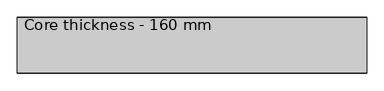
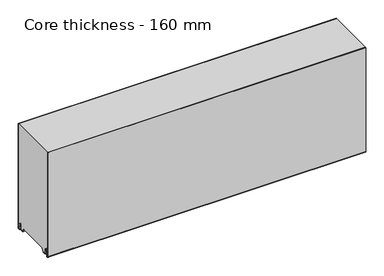
"""IFC4 building model written with IfcOpenShell, lengths in millimetres: plate geometry, Core thickness - 160 mm."""

from ifc_helpers import new_model, si_unit, frame, origin, place, context, project, spatial, polyline, circle_curve, source, transform, mapped, element, save
from ifc_brep_helpers import plane_surface, cylinder_surface, revolved_surface, advanced_brep


def core_thickness_160_mm_c2c2aed8(model_context):
    return source(origin(), model_context, "Body", "AdvancedBrep", [
        advanced_brep(
        [(500.0000002, -159.9996949, 3.0900682), (500.0000002, -153.81449, 2.7875612), (500.0000002, -152.197116, 19.2828169), (500.0000002, -149.1776715, 21.9898782), (500.0000002, -146.1582271, 19.2828169), (500.0000002, -144.7725998, 5.1510966), (500.0000002, -140.3830995, 5.365779), (500.0000002, -141.1830995, 5.365779), (500.0000002, -143.9764178, 5.2291629), (500.0000002, -145.3620451, 19.3608832), (500.0000002, -149.1776715, 22.7899182), (500.0000002, -152.9932979, 19.3608832), (500.0000002, -154.6106719, 2.8656275), (500.0000002, -159.1996949, 3.0900682), (500.0000002, -159.2, 350.0), (500.0000002, -159.9996949, 350.0), (-500.0000002, -159.1996949, 3.0900682), (-500.0000002, -154.6106719, 2.8656275), (-500.0000002, -152.9932979, 19.3608832), (-500.0000002, -149.1776715, 22.7899182), (-500.0000002, -145.3620451, 19.3608832), (-500.0000002, -143.9764178, 5.2291629), (-500.0000002, -141.1830995, 5.365779), (-500.0000002, -140.3830995, 5.365779), (-500.0000002, -144.7725998, 5.1510966), (-500.0000002, -146.1582271, 19.2828169), (-500.0000002, -149.1776715, 21.9898782), (-500.0000002, -152.197116, 19.2828169), (-500.0000002, -153.81449, 2.7875612), (-500.0000002, -159.9996949, 3.0900682), (-500.0000002, -159.9996949, 350.0), (-500.0000002, -159.2, 350.0)],
        [
            (0, 1, circle_curve(frame((500.0000002, -156.8996949, 3.0900682), z_axis=(1.0, 0.0, 0.0), x_axis=(0.0, 0.0, -1.0)), 3.1)),
            (1, 2),
            (2, 3, circle_curve(frame((500.0000002, -149.2114338, 18.9900682), z_axis=(-1.0, 0.0, 0.0), x_axis=(0.0, 0.0, -1.0)), 3.0)),
            (3, 4, circle_curve(frame((500.0000002, -149.1439093, 18.9900682), z_axis=(-1.0, 0.0, 0.0), x_axis=(0.0, 0.0, -1.0)), 3.0)),
            (4, 5),
            (5, 6, circle_curve(frame((500.0000002, -142.5830995, 5.365779), z_axis=(1.0, 0.0, 0.0), x_axis=(0.0, 0.0, -1.0)), 2.2)),
            (6, 7),
            (7, 8, circle_curve(frame((500.0000002, -142.5830995, 5.365779), z_axis=(-1.0, 0.0, 0.0), x_axis=(0.0, 0.0, -1.0)), 1.4)),
            (8, 9),
            (9, 10, circle_curve(frame((500.0000002, -149.1439093, 18.9900682), z_axis=(1.0, 0.0, 0.0), x_axis=(0.0, 0.0, -1.0)), 3.8)),
            (10, 11, circle_curve(frame((500.0000002, -149.2114338, 18.9900682), z_axis=(1.0, 0.0, 0.0), x_axis=(0.0, 0.0, -1.0)), 3.8)),
            (11, 12),
            (12, 13, circle_curve(frame((500.0000002, -156.8996949, 3.0900682), z_axis=(-1.0, 0.0, 0.0), x_axis=(0.0, 0.0, -1.0)), 2.3)),
            (13, 14),
            (14, 15),
            (15, 0),
            (16, 17, circle_curve(frame((-500.0000002, -156.8996949, 3.0900682), z_axis=(1.0, 0.0, 0.0), x_axis=(0.0, 0.0, -1.0)), 2.3)),
            (17, 18),
            (18, 19, circle_curve(frame((-500.0000002, -149.2114338, 18.9900682), z_axis=(-1.0, 0.0, 0.0), x_axis=(0.0, 0.0, -1.0)), 3.8)),
            (19, 20, circle_curve(frame((-500.0000002, -149.1439093, 18.9900682), z_axis=(-1.0, 0.0, 0.0), x_axis=(0.0, 0.0, -1.0)), 3.8)),
            (20, 21),
            (21, 22, circle_curve(frame((-500.0000002, -142.5830995, 5.365779), z_axis=(1.0, 0.0, 0.0), x_axis=(0.0, 0.0, -1.0)), 1.4)),
            (22, 23),
            (23, 24, circle_curve(frame((-500.0000002, -142.5830995, 5.365779), z_axis=(-1.0, 0.0, 0.0), x_axis=(0.0, 0.0, -1.0)), 2.2)),
            (24, 25),
            (25, 26, circle_curve(frame((-500.0000002, -149.1439093, 18.9900682), z_axis=(1.0, 0.0, 0.0), x_axis=(0.0, 0.0, -1.0)), 3.0)),
            (26, 27, circle_curve(frame((-500.0000002, -149.2114338, 18.9900682), z_axis=(1.0, 0.0, 0.0), x_axis=(0.0, 0.0, -1.0)), 3.0)),
            (27, 28),
            (28, 29, circle_curve(frame((-500.0000002, -156.8996949, 3.0900682), z_axis=(-1.0, 0.0, 0.0), x_axis=(0.0, 0.0, -1.0)), 3.1)),
            (29, 30),
            (30, 31),
            (31, 16),
            (13, 16),
            (31, 14),
            (29, 0),
            (15, 30),
            (12, 17),
            (11, 18),
            (10, 19),
            (9, 20),
            (8, 21),
            (7, 22),
            (6, 23),
            (5, 24),
            (4, 25),
            (3, 26),
            (2, 27),
            (1, 28),
        ],
        [
            plane_surface(frame((500.0000002, -160.0, 0.0), z_axis=(1.0, 0.0, 0.0), x_axis=(0.0, 1.0, 0.0))),
            plane_surface(frame((-500.0000002, -160.0, 0.0), z_axis=(-1.0, 0.0, 0.0), x_axis=(0.0, 1.0, 0.0))),
            plane_surface(frame((500.0000002, -159.2, 3.0900682), z_axis=(0.0, 1.0, 0.0), x_axis=(-1.0, 0.0, 0.0))),
            plane_surface(frame((500.0000002, -159.9996949, 1143.9000005), z_axis=(0.0, -1.0, 0.0), x_axis=(-1.0, 0.0, 0.0))),
            revolved_surface(polyline([(-500.0000002, -156.8996949, 0.7900682000000003), (500.0000002, -156.8996949, 0.7900682000000003)]), (500.0000002, -156.8996949, 3.0900682), (-1.0, 0.0, 0.0)),
            plane_surface(frame((500.0000002, -152.9932979, 19.3608832), z_axis=(0.0, -0.9952273999818314, 0.09758289975914787), x_axis=(-1.0, 0.0, 0.0))),
            cylinder_surface(frame((500.0000002, -149.2114338, 18.9900682), z_axis=(1.0, 0.0, 0.0), x_axis=(0.0, 0.0, -1.0)), 3.8),
            cylinder_surface(frame((500.0000002, -149.1439093, 18.9900682), z_axis=(1.0, 0.0, 0.0), x_axis=(0.0, 0.0, -1.0)), 3.8),
            plane_surface(frame((500.0000002, -143.9764178, 5.2291629), z_axis=(0.0, 0.9952273999818297, 0.09758289975916531), x_axis=(-1.0, 0.0, 0.0))),
            revolved_surface(polyline([(-500.0000002, -142.5830995, 3.965779), (500.0000002, -142.5830995, 3.965779)]), (500.0000002, -142.5830995, 5.365779), (-1.0, 0.0, 0.0)),
            plane_surface(frame((500.0000002, -140.3830995, 5.365779), z_axis=(0.0, 0.0, 1.0), x_axis=(-1.0, 0.0, 0.0))),
            cylinder_surface(frame((500.0000002, -142.5830995, 5.365779), z_axis=(1.0, 0.0, 0.0), x_axis=(0.0, 0.0, -1.0)), 2.2),
            plane_surface(frame((500.0000002, -146.1582271, 19.2828169), z_axis=(0.0, -0.9952273999818296, -0.09758289975916527), x_axis=(-1.0, 0.0, 0.0))),
            revolved_surface(polyline([(-500.0000002, -149.1439093, 15.9900682), (500.0000002, -149.1439093, 15.9900682)]), (500.0000002, -149.1439093, 18.9900682), (-1.0, 0.0, 0.0)),
            revolved_surface(polyline([(-500.0000002, -149.2114338, 15.9900682), (500.0000002, -149.2114338, 15.9900682)]), (500.0000002, -149.2114338, 18.9900682), (-1.0, 0.0, 0.0)),
            plane_surface(frame((500.0000002, -153.81449, 2.7875612), z_axis=(0.0, 0.9952273999818314, -0.09758289975914787), x_axis=(-1.0, 0.0, 0.0))),
            cylinder_surface(frame((500.0000002, -156.8996949, 3.0900682), z_axis=(1.0, 0.0, 0.0), x_axis=(0.0, 0.0, -1.0)), 3.1),
            plane_surface(frame((-500.0000002, 134.0533409, 350.0), z_axis=(0.0, 0.0, 1.0), x_axis=(1.0, 0.0, 0.0))),
        ],
        [
            (0, [[1, 2, 3, 4, 5, 6, 7, 8, 9, 10, 11, 12, 13, 14, 15, 16]]),
            (1, [[17, 18, 19, 20, 21, 22, 23, 24, 25, 26, 27, 28, 29, 30, 31, 32]]),
            (2, [[33, -32, 34, -14]]),
            (3, [[35, -16, 36, -30]]),
            (4, [[-13, 37, -17, -33]]),
            (5, [[-12, 38, -18, -37]]),
            (6, [[-11, 39, -19, -38]]),
            (7, [[-10, 40, -20, -39]]),
            (8, [[-9, 41, -21, -40]]),
            (9, [[-8, 42, -22, -41]]),
            (10, [[-7, 43, -23, -42]]),
            (11, [[-6, 44, -24, -43]]),
            (12, [[-5, 45, -25, -44]]),
            (13, [[-4, 46, -26, -45]]),
            (14, [[-3, 47, -27, -46]]),
            (15, [[-2, 48, -28, -47]]),
            (16, [[-1, -35, -29, -48]]),
            (17, [[-15, -34, -31, -36]]),
        ],
    ),
        advanced_brep(
        [(500.0000002, -129.873448, 15.1417681), (500.0000002, -30.126552, 15.1417681), (500.0000002, -23.4071318, 3.165779), (500.0000002, -17.4169005, 3.165779), (500.0000002, -19.6169005, 5.365779), (500.0000002, -18.8169005, 5.365779), (500.0000002, -16.0235822, 5.2291629), (500.0000002, -14.6379549, 19.3608832), (500.0000002, -10.8223285, 22.7899182), (500.0000002, -7.0067021, 19.3608832), (500.0000002, -5.3893281, 2.8656275), (500.0000002, -1.0794848, 4.1883784), (500.0000002, -1.5003051, 5.8439114), (500.0000002, -1.5003051, 42.0511837), (500.0000002, -1.0971009, 43.4705951), (500.0000002, -0.8, 44.5229805), (500.0000002, -0.8, 94.6827637), (500.0000002, -1.0986697, 95.7341795), (500.0000002, -1.5003051, 97.1545605), (500.0000002, -1.5003051, 147.3143437), (500.0000002, -1.0971009, 148.7337551), (500.0000002, -0.8, 149.7861405), (500.0000002, -0.8, 199.9459237), (500.0000002, -1.0986697, 200.9973395), (500.0000002, -1.5003051, 202.4177205), (500.0000002, -1.5003051, 252.5775037), (500.0000002, -1.0971009, 253.9969151), (500.0000002, -0.8, 255.0493005), (500.0000002, -0.8, 305.2090837), (500.0000002, -1.0986697, 306.2604995), (500.0000002, -1.5003051, 307.6808805), (500.0000002, -1.5003051, 350.0), (500.0000002, -159.2, 350.0), (500.0000002, -159.2, 3.0900682), (500.0000002, -154.6106719, 2.8656275), (500.0000002, -152.9932979, 19.3608832), (500.0000002, -149.1776715, 22.7899182), (500.0000002, -145.3620451, 19.3608832), (500.0000002, -143.9764178, 5.2291629), (500.0000002, -141.1830995, 5.365779), (500.0000002, -140.3830995, 5.365779), (500.0000002, -142.5830995, 3.165779), (500.0000002, -136.5928682, 3.165779), (-500.0000002, -30.126552, 15.1417681), (-500.0000002, -129.873448, 15.1417681), (-500.0000002, -136.5928682, 3.165779), (-500.0000002, -142.5830995, 3.165779), (-500.0000002, -140.3830995, 5.365779), (-500.0000002, -141.1830995, 5.365779), (-500.0000002, -143.9764178, 5.2291629), (-500.0000002, -145.3620451, 19.3608832), (-500.0000002, -149.1776715, 22.7899182), (-500.0000002, -152.9932979, 19.3608832), (-500.0000002, -154.6106719, 2.8656275), (-500.0000002, -159.1996949, 3.0900682), (-500.0000002, -159.2, 350.0), (-500.0000002, -1.5003051, 350.0), (-500.0000002, -1.5003051, 307.6808805), (-500.0000002, -1.0971009, 306.2614691), (-500.0000002, -0.8, 305.2090837), (-500.0000002, -0.8, 255.0493005), (-500.0000002, -1.0986697, 253.9978846), (-500.0000002, -1.5003051, 252.5775037), (-500.0000002, -1.5003051, 202.4177205), (-500.0000002, -1.0971009, 200.9983091), (-500.0000002, -0.8, 199.9459237), (-500.0000002, -0.8, 149.7861405), (-500.0000002, -1.0986697, 148.7347246), (-500.0000002, -1.5003051, 147.3143437), (-500.0000002, -1.5003051, 97.1545605), (-500.0000002, -1.0971009, 95.7351491), (-500.0000002, -0.8, 94.6827637), (-500.0000002, -0.8, 44.5229805), (-500.0000002, -1.0986697, 43.4715646), (-500.0000002, -1.5003051, 42.0511837), (-500.0000002, -1.5003051, 5.8439114), (-500.0000002, -1.0794848, 4.1883784), (-500.0000002, -5.3893281, 2.8656275), (-500.0000002, -7.0067021, 19.3608832), (-500.0000002, -10.8223285, 22.7899182), (-500.0000002, -14.6379549, 19.3608832), (-500.0000002, -16.0235822, 5.2291629), (-500.0000002, -18.8169005, 5.365779), (-500.0000002, -19.6169005, 5.365779), (-500.0000002, -17.4169005, 3.165779), (-500.0000002, -23.4071318, 3.165779)],
        [
            (0, 1),
            (1, 2),
            (2, 3),
            (3, 4, circle_curve(frame((500.0000002, -17.4169005, 5.365779), z_axis=(-1.0, 0.0, 0.0), x_axis=(0.0, 0.0, -1.0)), 2.2)),
            (4, 5),
            (5, 6, circle_curve(frame((500.0000002, -17.4169005, 5.365779), z_axis=(1.0, 0.0, 0.0), x_axis=(0.0, 0.0, -1.0)), 1.4)),
            (6, 7),
            (7, 8, circle_curve(frame((500.0000002, -10.8560907, 18.9900682), z_axis=(-1.0, 0.0, 0.0), x_axis=(0.0, 0.0, -1.0)), 3.8)),
            (8, 9, circle_curve(frame((500.0000002, -10.7885662, 18.9900682), z_axis=(-1.0, 0.0, 0.0), x_axis=(0.0, 0.0, -1.0)), 3.8)),
            (9, 10),
            (10, 11, circle_curve(frame((500.0000002, -3.1003051, 3.0900682), z_axis=(1.0, 0.0, 0.0), x_axis=(0.0, 0.0, -1.0)), 2.3)),
            (11, 12, circle_curve(frame((500.0000002, 1.9665895, 5.8439114), z_axis=(-1.0, 0.0, 0.0), x_axis=(0.0, 0.0, -1.0)), 3.4668946)),
            (12, 13),
            (13, 14, circle_curve(frame((500.0000002, 1.1996949, 42.0511837), z_axis=(-1.0, 0.0, 0.0), x_axis=(0.0, 0.0, -1.0)), 2.7)),
            (14, 15, circle_curve(frame((500.0000002, -2.8, 44.5229805), z_axis=(1.0, 0.0, 0.0), x_axis=(0.0, 0.0, -1.0)), 2.0)),
            (15, 16),
            (16, 17, circle_curve(frame((500.0000002, -2.8, 94.6827637), z_axis=(1.0, 0.0, 0.0), x_axis=(0.0, 0.0, -1.0)), 2.0)),
            (17, 18, circle_curve(frame((500.0000002, 1.1996949, 97.1545605), z_axis=(-1.0, 0.0, 0.0), x_axis=(0.0, 0.0, -1.0)), 2.7)),
            (18, 19),
            (19, 20, circle_curve(frame((500.0000002, 1.1996949, 147.3143437), z_axis=(-1.0, 0.0, 0.0), x_axis=(0.0, 0.0, -1.0)), 2.7)),
            (20, 21, circle_curve(frame((500.0000002, -2.8, 149.7861405), z_axis=(1.0, 0.0, 0.0), x_axis=(0.0, 0.0, -1.0)), 2.0)),
            (21, 22),
            (22, 23, circle_curve(frame((500.0000002, -2.8, 199.9459237), z_axis=(1.0, 0.0, 0.0), x_axis=(0.0, 0.0, -1.0)), 2.0)),
            (23, 24, circle_curve(frame((500.0000002, 1.1996949, 202.4177205), z_axis=(-1.0, 0.0, 0.0), x_axis=(0.0, 0.0, -1.0)), 2.7)),
            (24, 25),
            (25, 26, circle_curve(frame((500.0000002, 1.1996949, 252.5775037), z_axis=(-1.0, 0.0, 0.0), x_axis=(0.0, 0.0, -1.0)), 2.7)),
            (26, 27, circle_curve(frame((500.0000002, -2.8, 255.0493005), z_axis=(1.0, 0.0, 0.0), x_axis=(0.0, 0.0, -1.0)), 2.0)),
            (27, 28),
            (28, 29, circle_curve(frame((500.0000002, -2.8, 305.2090837), z_axis=(1.0, 0.0, 0.0), x_axis=(0.0, 0.0, -1.0)), 2.0)),
            (29, 30, circle_curve(frame((500.0000002, 1.1996949, 307.6808805), z_axis=(-1.0, 0.0, 0.0), x_axis=(0.0, 0.0, -1.0)), 2.7)),
            (30, 31),
            (31, 32),
            (32, 33),
            (33, 34, circle_curve(frame((500.0000002, -156.8996949, 3.0900682), z_axis=(1.0, 0.0, 0.0), x_axis=(0.0, 0.0, -1.0)), 2.3)),
            (34, 35),
            (35, 36, circle_curve(frame((500.0000002, -149.2114338, 18.9900682), z_axis=(-1.0, 0.0, 0.0), x_axis=(0.0, 0.0, -1.0)), 3.8)),
            (36, 37, circle_curve(frame((500.0000002, -149.1439093, 18.9900682), z_axis=(-1.0, 0.0, 0.0), x_axis=(0.0, 0.0, -1.0)), 3.8)),
            (37, 38),
            (38, 39, circle_curve(frame((500.0000002, -142.5830995, 5.365779), z_axis=(1.0, 0.0, 0.0), x_axis=(0.0, 0.0, -1.0)), 1.4)),
            (39, 40),
            (40, 41, circle_curve(frame((500.0000002, -142.5830995, 5.365779), z_axis=(-1.0, 0.0, 0.0), x_axis=(0.0, 0.0, -1.0)), 2.2)),
            (41, 42),
            (42, 0),
            (43, 44),
            (44, 45),
            (45, 46),
            (46, 47, circle_curve(frame((-500.0000002, -142.5830995, 5.365779), z_axis=(1.0, 0.0, 0.0), x_axis=(0.0, 0.0, -1.0)), 2.2)),
            (47, 48),
            (48, 49, circle_curve(frame((-500.0000002, -142.5830995, 5.365779), z_axis=(-1.0, 0.0, 0.0), x_axis=(0.0, 0.0, -1.0)), 1.4)),
            (49, 50),
            (50, 51, circle_curve(frame((-500.0000002, -149.1439093, 18.9900682), z_axis=(1.0, 0.0, 0.0), x_axis=(0.0, 0.0, -1.0)), 3.8)),
            (51, 52, circle_curve(frame((-500.0000002, -149.2114338, 18.9900682), z_axis=(1.0, 0.0, 0.0), x_axis=(0.0, 0.0, -1.0)), 3.8)),
            (52, 53),
            (53, 54, circle_curve(frame((-500.0000002, -156.8996949, 3.0900682), z_axis=(-1.0, 0.0, 0.0), x_axis=(0.0, 0.0, -1.0)), 2.3)),
            (54, 55),
            (55, 56),
            (56, 57),
            (57, 58, circle_curve(frame((-500.0000002, 1.1996949, 307.6808805), z_axis=(1.0, 0.0, 0.0), x_axis=(0.0, 0.0, -1.0)), 2.7)),
            (58, 59, circle_curve(frame((-500.0000002, -2.8, 305.2090837), z_axis=(-1.0, 0.0, 0.0), x_axis=(0.0, 0.0, -1.0)), 2.0)),
            (59, 60),
            (60, 61, circle_curve(frame((-500.0000002, -2.8, 255.0493005), z_axis=(-1.0, 0.0, 0.0), x_axis=(0.0, 0.0, -1.0)), 2.0)),
            (61, 62, circle_curve(frame((-500.0000002, 1.1996949, 252.5775037), z_axis=(1.0, 0.0, 0.0), x_axis=(0.0, 0.0, -1.0)), 2.7)),
            (62, 63),
            (63, 64, circle_curve(frame((-500.0000002, 1.1996949, 202.4177205), z_axis=(1.0, 0.0, 0.0), x_axis=(0.0, 0.0, -1.0)), 2.7)),
            (64, 65, circle_curve(frame((-500.0000002, -2.8, 199.9459237), z_axis=(-1.0, 0.0, 0.0), x_axis=(0.0, 0.0, -1.0)), 2.0)),
            (65, 66),
            (66, 67, circle_curve(frame((-500.0000002, -2.8, 149.7861405), z_axis=(-1.0, 0.0, 0.0), x_axis=(0.0, 0.0, -1.0)), 2.0)),
            (67, 68, circle_curve(frame((-500.0000002, 1.1996949, 147.3143437), z_axis=(1.0, 0.0, 0.0), x_axis=(0.0, 0.0, -1.0)), 2.7)),
            (68, 69),
            (69, 70, circle_curve(frame((-500.0000002, 1.1996949, 97.1545605), z_axis=(1.0, 0.0, 0.0), x_axis=(0.0, 0.0, -1.0)), 2.7)),
            (70, 71, circle_curve(frame((-500.0000002, -2.8, 94.6827637), z_axis=(-1.0, 0.0, 0.0), x_axis=(0.0, 0.0, -1.0)), 2.0)),
            (71, 72),
            (72, 73, circle_curve(frame((-500.0000002, -2.8, 44.5229805), z_axis=(-1.0, 0.0, 0.0), x_axis=(0.0, 0.0, -1.0)), 2.0)),
            (73, 74, circle_curve(frame((-500.0000002, 1.1996949, 42.0511837), z_axis=(1.0, 0.0, 0.0), x_axis=(0.0, 0.0, -1.0)), 2.7)),
            (74, 75),
            (75, 76, circle_curve(frame((-500.0000002, 1.9665895, 5.8439114), z_axis=(1.0, 0.0, 0.0), x_axis=(0.0, 0.0, -1.0)), 3.4668946)),
            (76, 77, circle_curve(frame((-500.0000002, -3.1003051, 3.0900682), z_axis=(-1.0, 0.0, 0.0), x_axis=(0.0, 0.0, -1.0)), 2.3)),
            (77, 78),
            (78, 79, circle_curve(frame((-500.0000002, -10.7885662, 18.9900682), z_axis=(1.0, 0.0, 0.0), x_axis=(0.0, 0.0, -1.0)), 3.8)),
            (79, 80, circle_curve(frame((-500.0000002, -10.8560907, 18.9900682), z_axis=(1.0, 0.0, 0.0), x_axis=(0.0, 0.0, -1.0)), 3.8)),
            (80, 81),
            (81, 82, circle_curve(frame((-500.0000002, -17.4169005, 5.365779), z_axis=(-1.0, 0.0, 0.0), x_axis=(0.0, 0.0, -1.0)), 1.4)),
            (82, 83),
            (83, 84, circle_curve(frame((-500.0000002, -17.4169005, 5.365779), z_axis=(1.0, 0.0, 0.0), x_axis=(0.0, 0.0, -1.0)), 2.2)),
            (84, 85),
            (85, 43),
            (1, 43),
            (85, 2),
            (0, 44),
            (42, 45),
            (64, 23),
            (22, 65),
            (63, 24),
            (62, 25),
            (61, 26),
            (60, 27),
            (59, 28),
            (58, 29),
            (57, 30),
            (56, 31),
            (54, 33),
            (32, 55),
            (84, 3),
            (41, 46),
            (83, 4),
            (82, 5),
            (81, 6),
            (80, 7),
            (79, 8),
            (78, 9),
            (77, 10),
            (76, 11),
            (75, 12),
            (74, 13),
            (73, 14),
            (72, 15),
            (71, 16),
            (70, 17),
            (69, 18),
            (68, 19),
            (67, 20),
            (66, 21),
            (53, 34),
            (52, 35),
            (51, 36),
            (50, 37),
            (49, 38),
            (48, 39),
            (47, 40),
        ],
        [
            plane_surface(frame((500.0000002, 0.0, 0.0), z_axis=(1.0, 0.0, 0.0), x_axis=(0.0, -1.0, 0.0))),
            plane_surface(frame((-500.0000002, 0.0, 0.0), z_axis=(-1.0, 0.0, 0.0), x_axis=(0.0, -1.0, 0.0))),
            plane_surface(frame((500.0000002, -30.126552, 15.1417681), z_axis=(0.0, -0.8721062992196836, -0.4893164649399687), x_axis=(-1.0, 0.0, 0.0))),
            plane_surface(frame((500.0000002, -129.873448, 15.1417681), z_axis=(0.0, 0.0, -1.0), x_axis=(-1.0, 0.0, 0.0))),
            plane_surface(frame((500.0000002, -136.8190247, 2.7627014), z_axis=(0.0, 0.8721062992196832, -0.4893164649399697), x_axis=(-1.0, 0.0, 0.0))),
            cylinder_surface(frame((630.0000002, -2.8, 199.9459237), z_axis=(-1.0, 0.0, 0.0), x_axis=(0.0, 0.0, -1.0)), 2.0),
            revolved_surface(polyline([(500.0000002, 1.1996949, 199.7177205), (-500.00000020000004, 1.1996949, 199.7177205)]), (630.0000002, 1.1996949, 202.4177205), (1.0, 0.0, 0.0)),
            plane_surface(frame((630.0000002, -1.5003051, 252.5775037), z_axis=(0.0, 1.0, 0.0), x_axis=(-1.0, 0.0, 0.0))),
            revolved_surface(polyline([(500.0000002, 1.1996949, 249.8775037), (-500.00000020000004, 1.1996949, 249.8775037)]), (630.0000002, 1.1996949, 252.5775037), (1.0, 0.0, 0.0)),
            cylinder_surface(frame((630.0000002, -2.8, 255.0493005), z_axis=(-1.0, 0.0, 0.0), x_axis=(0.0, 0.0, -1.0)), 2.0),
            plane_surface(frame((630.0000002, -0.8, 305.2090837), z_axis=(0.0, 1.0, 0.0), x_axis=(-1.0, 0.0, 0.0))),
            cylinder_surface(frame((630.0000002, -2.8, 305.2090837), z_axis=(-1.0, 0.0, 0.0), x_axis=(0.0, 0.0, -1.0)), 2.0),
            revolved_surface(polyline([(500.0000002, 1.1996949, 304.9808805), (-500.00000020000004, 1.1996949, 304.9808805)]), (630.0000002, 1.1996949, 307.6808805), (1.0, 0.0, 0.0)),
            plane_surface(frame((630.0000002, -1.5003051, 357.8406637), z_axis=(0.0, 1.0, 0.0), x_axis=(-1.0, 0.0, 0.0))),
            plane_surface(frame((630.0000002, -159.2, 3.0900682), z_axis=(0.0, -1.0, 0.0), x_axis=(-1.0, 0.0, 0.0))),
            plane_surface(frame((-500.0000002, -142.5830995, 3.165779), z_axis=(0.0, 0.0, -1.0), x_axis=(1.0, 0.0, 0.0))),
            revolved_surface(polyline([(500.0000002, -17.4169005, 3.1657789999999997), (-500.00000020000004, -17.4169005, 3.1657789999999997)]), (630.0000002, -17.4169005, 5.365779), (1.0, 0.0, 0.0)),
            plane_surface(frame((630.0000002, -18.8169005, 5.365779), z_axis=(0.0, 0.0, -1.0), x_axis=(-1.0, 0.0, 0.0))),
            cylinder_surface(frame((630.0000002, -17.4169005, 5.365779), z_axis=(-1.0, 0.0, 0.0), x_axis=(0.0, 0.0, -1.0)), 1.4),
            plane_surface(frame((630.0000002, -14.6379549, 19.3608832), z_axis=(0.0, 0.9952273999818297, -0.09758289975916531), x_axis=(-1.0, 0.0, 0.0))),
            revolved_surface(polyline([(500.0000002, -10.8560907, 15.190068199999999), (-500.00000020000004, -10.8560907, 15.190068199999999)]), (630.0000002, -10.8560907, 18.9900682), (1.0, 0.0, 0.0)),
            revolved_surface(polyline([(500.0000002, -10.7885662, 15.190068199999999), (-500.00000020000004, -10.7885662, 15.190068199999999)]), (630.0000002, -10.7885662, 18.9900682), (1.0, 0.0, 0.0)),
            plane_surface(frame((630.0000002, -5.3893281, 2.8656275), z_axis=(0.0, -0.9952273999818314, -0.09758289975914787), x_axis=(-1.0, 0.0, 0.0))),
            cylinder_surface(frame((630.0000002, -3.1003051, 3.0900682), z_axis=(-1.0, 0.0, 0.0), x_axis=(0.0, 0.0, -1.0)), 2.3),
            revolved_surface(polyline([(500.0000002, 1.9665895, 2.3770168), (-500.00000020000004, 1.9665895, 2.3770168)]), (630.0000002, 1.9665895, 5.8439114), (1.0, 0.0, 0.0)),
            plane_surface(frame((630.0000002, -1.5003051, 42.0511837), z_axis=(0.0, 1.0, 0.0), x_axis=(-1.0, 0.0, 0.0))),
            revolved_surface(polyline([(500.0000002, 1.1996949, 39.3511837), (-500.00000020000004, 1.1996949, 39.3511837)]), (630.0000002, 1.1996949, 42.0511837), (1.0, 0.0, 0.0)),
            cylinder_surface(frame((630.0000002, -2.8, 44.5229805), z_axis=(-1.0, 0.0, 0.0), x_axis=(0.0, 0.0, -1.0)), 2.0),
            plane_surface(frame((630.0000002, -0.8, 94.6827637), z_axis=(0.0, 1.0, 0.0), x_axis=(-1.0, 0.0, 0.0))),
            cylinder_surface(frame((630.0000002, -2.8, 94.6827637), z_axis=(-1.0, 0.0, 0.0), x_axis=(0.0, 0.0, -1.0)), 2.0),
            revolved_surface(polyline([(500.0000002, 1.1996949, 94.4545605), (-500.00000020000004, 1.1996949, 94.4545605)]), (630.0000002, 1.1996949, 97.1545605), (1.0, 0.0, 0.0)),
            plane_surface(frame((630.0000002, -1.5003051, 147.3143437), z_axis=(0.0, 1.0, 0.0), x_axis=(-1.0, 0.0, 0.0))),
            revolved_surface(polyline([(500.0000002, 1.1996949, 144.6143437), (-500.00000020000004, 1.1996949, 144.6143437)]), (630.0000002, 1.1996949, 147.3143437), (1.0, 0.0, 0.0)),
            cylinder_surface(frame((630.0000002, -2.8, 149.7861405), z_axis=(-1.0, 0.0, 0.0), x_axis=(0.0, 0.0, -1.0)), 2.0),
            plane_surface(frame((630.0000002, -0.8, 199.9459237), z_axis=(0.0, 1.0, 0.0), x_axis=(-1.0, 0.0, 0.0))),
            cylinder_surface(frame((630.0000002, -156.8996949, 3.0900682), z_axis=(-1.0, 0.0, 0.0), x_axis=(0.0, 0.0, -1.0)), 2.3),
            plane_surface(frame((630.0000002, -152.9932979, 19.3608832), z_axis=(0.0, 0.9952273999818314, -0.09758289975914787), x_axis=(-1.0, 0.0, 0.0))),
            revolved_surface(polyline([(500.0000002, -149.2114338, 15.190068199999999), (-500.00000020000004, -149.2114338, 15.190068199999999)]), (630.0000002, -149.2114338, 18.9900682), (1.0, 0.0, 0.0)),
            revolved_surface(polyline([(500.0000002, -149.1439093, 15.190068199999999), (-500.00000020000004, -149.1439093, 15.190068199999999)]), (630.0000002, -149.1439093, 18.9900682), (1.0, 0.0, 0.0)),
            plane_surface(frame((630.0000002, -143.9764178, 5.2291629), z_axis=(0.0, -0.9952273999818297, -0.09758289975916531), x_axis=(-1.0, 0.0, 0.0))),
            cylinder_surface(frame((630.0000002, -142.5830995, 5.365779), z_axis=(-1.0, 0.0, 0.0), x_axis=(0.0, 0.0, -1.0)), 1.4),
            plane_surface(frame((630.0000002, -140.3830995, 5.365779), z_axis=(0.0, 0.0, -1.0), x_axis=(-1.0, 0.0, 0.0))),
            revolved_surface(polyline([(500.0000002, -142.5830995, 3.1657789999999997), (-500.00000020000004, -142.5830995, 3.1657789999999997)]), (630.0000002, -142.5830995, 5.365779), (1.0, 0.0, 0.0)),
            plane_surface(frame((-500.0000002, 134.0533409, 350.0), z_axis=(0.0, 0.0, 1.0), x_axis=(1.0, 0.0, 0.0))),
        ],
        [
            (0, [[1, 2, 3, 4, 5, 6, 7, 8, 9, 10, 11, 12, 13, 14, 15, 16, 17, 18, 19, 20, 21, 22, 23, 24, 25, 26, 27, 28, 29, 30, 31, 32, 33, 34, 35, 36, 37, 38, 39, 40, 41, 42, 43]]),
            (1, [[44, 45, 46, 47, 48, 49, 50, 51, 52, 53, 54, 55, 56, 57, 58, 59, 60, 61, 62, 63, 64, 65, 66, 67, 68, 69, 70, 71, 72, 73, 74, 75, 76, 77, 78, 79, 80, 81, 82, 83, 84, 85, 86]]),
            (2, [[87, -86, 88, -2]]),
            (3, [[-1, 89, -44, -87]]),
            (4, [[-89, -43, 90, -45]]),
            (5, [[91, -23, 92, -65]]),
            (6, [[-91, -64, 93, -24]]),
            (7, [[-93, -63, 94, -25]]),
            (8, [[-94, -62, 95, -26]]),
            (9, [[-95, -61, 96, -27]]),
            (10, [[-96, -60, 97, -28]]),
            (11, [[-97, -59, 98, -29]]),
            (12, [[-98, -58, 99, -30]]),
            (13, [[-99, -57, 100, -31]]),
            (14, [[101, -33, 102, -55]]),
            (15, [[-3, -88, -85, 103]]),
            (15, [[-42, 104, -46, -90]]),
            (16, [[105, -4, -103, -84]]),
            (17, [[-105, -83, 106, -5]]),
            (18, [[-106, -82, 107, -6]]),
            (19, [[-107, -81, 108, -7]]),
            (20, [[-108, -80, 109, -8]]),
            (21, [[-109, -79, 110, -9]]),
            (22, [[-110, -78, 111, -10]]),
            (23, [[-111, -77, 112, -11]]),
            (24, [[-112, -76, 113, -12]]),
            (25, [[-113, -75, 114, -13]]),
            (26, [[-114, -74, 115, -14]]),
            (27, [[-115, -73, 116, -15]]),
            (28, [[-116, -72, 117, -16]]),
            (29, [[-117, -71, 118, -17]]),
            (30, [[-118, -70, 119, -18]]),
            (31, [[-119, -69, 120, -19]]),
            (32, [[-120, -68, 121, -20]]),
            (33, [[-121, -67, 122, -21]]),
            (34, [[-122, -66, -92, -22]]),
            (35, [[-101, -54, 123, -34]]),
            (36, [[-123, -53, 124, -35]]),
            (37, [[-124, -52, 125, -36]]),
            (38, [[-125, -51, 126, -37]]),
            (39, [[-126, -50, 127, -38]]),
            (40, [[-127, -49, 128, -39]]),
            (41, [[-128, -48, 129, -40]]),
            (42, [[-129, -47, -104, -41]]),
            (43, [[-100, -56, -102, -32]]),
        ],
    ),
        advanced_brep(
        [(-500.0000002, -0.7003051, 307.6808805), (-500.0000002, -0.4016712, 306.6295226), (-500.0000002, -0.0003051, 305.2090837), (-500.0000002, -0.0003051, 255.0493005), (-500.0000002, -0.4034608, 253.6299674), (-500.0000002, -0.7003051, 252.5775037), (-500.0000002, -0.7003051, 202.4177205), (-500.0000002, -0.4016712, 201.3663626), (-500.0000002, -0.0003051, 199.9459237), (-500.0000002, -0.0003051, 149.7861405), (-500.0000002, -0.4034608, 148.3668074), (-500.0000002, -0.7003051, 147.3143437), (-500.0000002, -0.7003051, 97.1545605), (-500.0000002, -0.4016712, 96.1032026), (-500.0000002, -0.0003051, 94.6827637), (-500.0000002, -0.0003051, 44.5229805), (-500.0000002, -0.4034608, 43.1036474), (-500.0000002, -0.7003051, 42.0511837), (-500.0000002, -0.7003051, 6.8391397), (-500.0000002, -0.2091664, 4.208691), (-500.0000002, -6.18551, 2.7875612), (-500.0000002, -7.802884, 19.2828169), (-500.0000002, -10.8223285, 21.9898782), (-500.0000002, -13.8417729, 19.2828169), (-500.0000002, -15.2274002, 5.1510966), (-500.0000002, -19.6169005, 5.365779), (-500.0000002, -18.8169005, 5.365779), (-500.0000002, -16.0235822, 5.2291629), (-500.0000002, -14.6379549, 19.3608832), (-500.0000002, -10.8223285, 22.7899182), (-500.0000002, -7.0067021, 19.3608832), (-500.0000002, -5.3893281, 2.8656275), (-500.0000002, -1.0794848, 4.1883784), (-500.0000002, -1.5003051, 5.8439114), (-500.0000002, -1.5003051, 42.0511837), (-500.0000002, -1.0971009, 43.4705951), (-500.0000002, -0.8, 44.5229805), (-500.0000002, -0.8, 94.6827637), (-500.0000002, -1.0986697, 95.7341795), (-500.0000002, -1.5003051, 97.1545605), (-500.0000002, -1.5003051, 147.3143437), (-500.0000002, -1.0971009, 148.7337551), (-500.0000002, -0.8, 149.7861405), (-500.0000002, -0.8, 199.9459237), (-500.0000002, -1.0986697, 200.9973395), (-500.0000002, -1.5003051, 202.4177205), (-500.0000002, -1.5003051, 252.5775037), (-500.0000002, -1.0971009, 253.9969151), (-500.0000002, -0.8, 255.0493005), (-500.0000002, -0.8, 305.2090837), (-500.0000002, -1.0986697, 306.2604995), (-500.0000002, -1.5003051, 307.6808805), (-500.0000002, -1.5003051, 350.0), (-500.0000002, -0.7003051, 350.0), (500.0000002, -1.5003051, 307.6808805), (500.0000002, -1.0971009, 306.2614691), (500.0000002, -0.8, 305.2090837), (500.0000002, -0.8, 255.0493005), (500.0000002, -1.0986697, 253.9978846), (500.0000002, -1.5003051, 252.5775037), (500.0000002, -1.5003051, 202.4177205), (500.0000002, -1.0971009, 200.9983091), (500.0000002, -0.8, 199.9459237), (500.0000002, -0.8, 149.7861405), (500.0000002, -1.0986697, 148.7347246), (500.0000002, -1.5003051, 147.3143437), (500.0000002, -1.5003051, 97.1545605), (500.0000002, -1.0971009, 95.7351491), (500.0000002, -0.8, 94.6827637), (500.0000002, -0.8, 44.5229805), (500.0000002, -1.0986697, 43.4715646), (500.0000002, -1.5003051, 42.0511837), (500.0000002, -1.5003051, 5.8439114), (500.0000002, -1.0794848, 4.1883784), (500.0000002, -5.3893281, 2.8656275), (500.0000002, -7.0067021, 19.3608832), (500.0000002, -10.8223285, 22.7899182), (500.0000002, -14.6379549, 19.3608832), (500.0000002, -16.0235822, 5.2291629), (500.0000002, -18.8169005, 5.365779), (500.0000002, -19.6169005, 5.365779), (500.0000002, -15.2274002, 5.1510966), (500.0000002, -13.8417729, 19.2828169), (500.0000002, -10.8223285, 21.9898782), (500.0000002, -7.802884, 19.2828169), (500.0000002, -6.18551, 2.7875612), (500.0000002, -0.2091664, 4.208691), (500.0000002, -0.7003051, 6.8391397), (500.0000002, -0.7003051, 42.0511837), (500.0000002, -0.4016712, 43.1025415), (500.0000002, -0.0003051, 44.5229805), (500.0000002, -0.0003051, 94.6827637), (500.0000002, -0.4034608, 96.1020968), (500.0000002, -0.7003051, 97.1545605), (500.0000002, -0.7003051, 147.3143437), (500.0000002, -0.4016712, 148.3657015), (500.0000002, -0.0003051, 149.7861405), (500.0000002, -0.0003051, 199.9459237), (500.0000002, -0.4034608, 201.3652568), (500.0000002, -0.7003051, 202.4177205), (500.0000002, -0.7003051, 252.5775037), (500.0000002, -0.4016712, 253.6288615), (500.0000002, -0.0003051, 255.0493005), (500.0000002, -0.0003051, 305.2090837), (500.0000002, -0.4034608, 306.6284168), (500.0000002, -0.7003051, 307.6808805), (500.0000002, -0.7003051, 350.0), (500.0000002, -1.5003051, 350.0)],
        [
            (0, 1, circle_curve(frame((-500.0000002, 1.2996949, 307.6808805), z_axis=(1.0, 0.0, 0.0), x_axis=(0.0, 0.0, -1.0)), 2.0)),
            (1, 2, circle_curve(frame((-500.0000002, -2.7003051, 305.2090837), z_axis=(-1.0, 0.0, 0.0), x_axis=(0.0, 0.0, -1.0)), 2.7)),
            (2, 3),
            (3, 4, circle_curve(frame((-500.0000002, -2.7003051, 255.0493005), z_axis=(-1.0, 0.0, 0.0), x_axis=(0.0, 0.0, -1.0)), 2.7)),
            (4, 5, circle_curve(frame((-500.0000002, 1.2996949, 252.5775037), z_axis=(1.0, 0.0, 0.0), x_axis=(0.0, 0.0, -1.0)), 2.0)),
            (5, 6),
            (6, 7, circle_curve(frame((-500.0000002, 1.2996949, 202.4177205), z_axis=(1.0, 0.0, 0.0), x_axis=(0.0, 0.0, -1.0)), 2.0)),
            (7, 8, circle_curve(frame((-500.0000002, -2.7003051, 199.9459237), z_axis=(-1.0, 0.0, 0.0), x_axis=(0.0, 0.0, -1.0)), 2.7)),
            (8, 9),
            (9, 10, circle_curve(frame((-500.0000002, -2.7003051, 149.7861405), z_axis=(-1.0, 0.0, 0.0), x_axis=(0.0, 0.0, -1.0)), 2.7)),
            (10, 11, circle_curve(frame((-500.0000002, 1.2996949, 147.3143437), z_axis=(1.0, 0.0, 0.0), x_axis=(0.0, 0.0, -1.0)), 2.0)),
            (11, 12),
            (12, 13, circle_curve(frame((-500.0000002, 1.2996949, 97.1545605), z_axis=(1.0, 0.0, 0.0), x_axis=(0.0, 0.0, -1.0)), 2.0)),
            (13, 14, circle_curve(frame((-500.0000002, -2.7003051, 94.6827637), z_axis=(-1.0, 0.0, 0.0), x_axis=(0.0, 0.0, -1.0)), 2.7)),
            (14, 15),
            (15, 16, circle_curve(frame((-500.0000002, -2.7003051, 44.5229805), z_axis=(-1.0, 0.0, 0.0), x_axis=(0.0, 0.0, -1.0)), 2.7)),
            (16, 17, circle_curve(frame((-500.0000002, 1.2996949, 42.0511837), z_axis=(1.0, 0.0, 0.0), x_axis=(0.0, 0.0, -1.0)), 2.0)),
            (17, 18),
            (18, 19, circle_curve(frame((-500.0000002, 6.5893647, 6.8391397), z_axis=(1.0, 0.0, 0.0), x_axis=(0.0, 0.0, -1.0)), 7.2896698)),
            (19, 20, circle_curve(frame((-500.0000002, -3.1003051, 3.0900682), z_axis=(-1.0, 0.0, 0.0), x_axis=(0.0, 0.0, -1.0)), 3.1)),
            (20, 21),
            (21, 22, circle_curve(frame((-500.0000002, -10.7885662, 18.9900682), z_axis=(1.0, 0.0, 0.0), x_axis=(0.0, 0.0, -1.0)), 3.0)),
            (22, 23, circle_curve(frame((-500.0000002, -10.8560907, 18.9900682), z_axis=(1.0, 0.0, 0.0), x_axis=(0.0, 0.0, -1.0)), 3.0)),
            (23, 24),
            (24, 25, circle_curve(frame((-500.0000002, -17.4169005, 5.365779), z_axis=(-1.0, 0.0, 0.0), x_axis=(0.0, 0.0, -1.0)), 2.2)),
            (25, 26),
            (26, 27, circle_curve(frame((-500.0000002, -17.4169005, 5.365779), z_axis=(1.0, 0.0, 0.0), x_axis=(0.0, 0.0, -1.0)), 1.4)),
            (27, 28),
            (28, 29, circle_curve(frame((-500.0000002, -10.8560907, 18.9900682), z_axis=(-1.0, 0.0, 0.0), x_axis=(0.0, 0.0, -1.0)), 3.8)),
            (29, 30, circle_curve(frame((-500.0000002, -10.7885662, 18.9900682), z_axis=(-1.0, 0.0, 0.0), x_axis=(0.0, 0.0, -1.0)), 3.8)),
            (30, 31),
            (31, 32, circle_curve(frame((-500.0000002, -3.1003051, 3.0900682), z_axis=(1.0, 0.0, 0.0), x_axis=(0.0, 0.0, -1.0)), 2.3)),
            (32, 33, circle_curve(frame((-500.0000002, 1.9665895, 5.8439114), z_axis=(-1.0, 0.0, 0.0), x_axis=(0.0, 0.0, -1.0)), 3.4668946)),
            (33, 34),
            (34, 35, circle_curve(frame((-500.0000002, 1.1996949, 42.0511837), z_axis=(-1.0, 0.0, 0.0), x_axis=(0.0, 0.0, -1.0)), 2.7)),
            (35, 36, circle_curve(frame((-500.0000002, -2.8, 44.5229805), z_axis=(1.0, 0.0, 0.0), x_axis=(0.0, 0.0, -1.0)), 2.0)),
            (36, 37),
            (37, 38, circle_curve(frame((-500.0000002, -2.8, 94.6827637), z_axis=(1.0, 0.0, 0.0), x_axis=(0.0, 0.0, -1.0)), 2.0)),
            (38, 39, circle_curve(frame((-500.0000002, 1.1996949, 97.1545605), z_axis=(-1.0, 0.0, 0.0), x_axis=(0.0, 0.0, -1.0)), 2.7)),
            (39, 40),
            (40, 41, circle_curve(frame((-500.0000002, 1.1996949, 147.3143437), z_axis=(-1.0, 0.0, 0.0), x_axis=(0.0, 0.0, -1.0)), 2.7)),
            (41, 42, circle_curve(frame((-500.0000002, -2.8, 149.7861405), z_axis=(1.0, 0.0, 0.0), x_axis=(0.0, 0.0, -1.0)), 2.0)),
            (42, 43),
            (43, 44, circle_curve(frame((-500.0000002, -2.8, 199.9459237), z_axis=(1.0, 0.0, 0.0), x_axis=(0.0, 0.0, -1.0)), 2.0)),
            (44, 45, circle_curve(frame((-500.0000002, 1.1996949, 202.4177205), z_axis=(-1.0, 0.0, 0.0), x_axis=(0.0, 0.0, -1.0)), 2.7)),
            (45, 46),
            (46, 47, circle_curve(frame((-500.0000002, 1.1996949, 252.5775037), z_axis=(-1.0, 0.0, 0.0), x_axis=(0.0, 0.0, -1.0)), 2.7)),
            (47, 48, circle_curve(frame((-500.0000002, -2.8, 255.0493005), z_axis=(1.0, 0.0, 0.0), x_axis=(0.0, 0.0, -1.0)), 2.0)),
            (48, 49),
            (49, 50, circle_curve(frame((-500.0000002, -2.8, 305.2090837), z_axis=(1.0, 0.0, 0.0), x_axis=(0.0, 0.0, -1.0)), 2.0)),
            (50, 51, circle_curve(frame((-500.0000002, 1.1996949, 307.6808805), z_axis=(-1.0, 0.0, 0.0), x_axis=(0.0, 0.0, -1.0)), 2.7)),
            (51, 52),
            (52, 53),
            (53, 0),
            (54, 55, circle_curve(frame((500.0000002, 1.1996949, 307.6808805), z_axis=(1.0, 0.0, 0.0), x_axis=(0.0, 0.0, -1.0)), 2.7)),
            (55, 56, circle_curve(frame((500.0000002, -2.8, 305.2090837), z_axis=(-1.0, 0.0, 0.0), x_axis=(0.0, 0.0, -1.0)), 2.0)),
            (56, 57),
            (57, 58, circle_curve(frame((500.0000002, -2.8, 255.0493005), z_axis=(-1.0, 0.0, 0.0), x_axis=(0.0, 0.0, -1.0)), 2.0)),
            (58, 59, circle_curve(frame((500.0000002, 1.1996949, 252.5775037), z_axis=(1.0, 0.0, 0.0), x_axis=(0.0, 0.0, -1.0)), 2.7)),
            (59, 60),
            (60, 61, circle_curve(frame((500.0000002, 1.1996949, 202.4177205), z_axis=(1.0, 0.0, 0.0), x_axis=(0.0, 0.0, -1.0)), 2.7)),
            (61, 62, circle_curve(frame((500.0000002, -2.8, 199.9459237), z_axis=(-1.0, 0.0, 0.0), x_axis=(0.0, 0.0, -1.0)), 2.0)),
            (62, 63),
            (63, 64, circle_curve(frame((500.0000002, -2.8, 149.7861405), z_axis=(-1.0, 0.0, 0.0), x_axis=(0.0, 0.0, -1.0)), 2.0)),
            (64, 65, circle_curve(frame((500.0000002, 1.1996949, 147.3143437), z_axis=(1.0, 0.0, 0.0), x_axis=(0.0, 0.0, -1.0)), 2.7)),
            (65, 66),
            (66, 67, circle_curve(frame((500.0000002, 1.1996949, 97.1545605), z_axis=(1.0, 0.0, 0.0), x_axis=(0.0, 0.0, -1.0)), 2.7)),
            (67, 68, circle_curve(frame((500.0000002, -2.8, 94.6827637), z_axis=(-1.0, 0.0, 0.0), x_axis=(0.0, 0.0, -1.0)), 2.0)),
            (68, 69),
            (69, 70, circle_curve(frame((500.0000002, -2.8, 44.5229805), z_axis=(-1.0, 0.0, 0.0), x_axis=(0.0, 0.0, -1.0)), 2.0)),
            (70, 71, circle_curve(frame((500.0000002, 1.1996949, 42.0511837), z_axis=(1.0, 0.0, 0.0), x_axis=(0.0, 0.0, -1.0)), 2.7)),
            (71, 72),
            (72, 73, circle_curve(frame((500.0000002, 1.9665895, 5.8439114), z_axis=(1.0, 0.0, 0.0), x_axis=(0.0, 0.0, -1.0)), 3.4668946)),
            (73, 74, circle_curve(frame((500.0000002, -3.1003051, 3.0900682), z_axis=(-1.0, 0.0, 0.0), x_axis=(0.0, 0.0, -1.0)), 2.3)),
            (74, 75),
            (75, 76, circle_curve(frame((500.0000002, -10.7885662, 18.9900682), z_axis=(1.0, 0.0, 0.0), x_axis=(0.0, 0.0, -1.0)), 3.8)),
            (76, 77, circle_curve(frame((500.0000002, -10.8560907, 18.9900682), z_axis=(1.0, 0.0, 0.0), x_axis=(0.0, 0.0, -1.0)), 3.8)),
            (77, 78),
            (78, 79, circle_curve(frame((500.0000002, -17.4169005, 5.365779), z_axis=(-1.0, 0.0, 0.0), x_axis=(0.0, 0.0, -1.0)), 1.4)),
            (79, 80),
            (80, 81, circle_curve(frame((500.0000002, -17.4169005, 5.365779), z_axis=(1.0, 0.0, 0.0), x_axis=(0.0, 0.0, -1.0)), 2.2)),
            (81, 82),
            (82, 83, circle_curve(frame((500.0000002, -10.8560907, 18.9900682), z_axis=(-1.0, 0.0, 0.0), x_axis=(0.0, 0.0, -1.0)), 3.0)),
            (83, 84, circle_curve(frame((500.0000002, -10.7885662, 18.9900682), z_axis=(-1.0, 0.0, 0.0), x_axis=(0.0, 0.0, -1.0)), 3.0)),
            (84, 85),
            (85, 86, circle_curve(frame((500.0000002, -3.1003051, 3.0900682), z_axis=(1.0, 0.0, 0.0), x_axis=(0.0, 0.0, -1.0)), 3.1)),
            (86, 87, circle_curve(frame((500.0000002, 6.5893647, 6.8391397), z_axis=(-1.0, 0.0, 0.0), x_axis=(0.0, 0.0, -1.0)), 7.2896698)),
            (87, 88),
            (88, 89, circle_curve(frame((500.0000002, 1.2996949, 42.0511837), z_axis=(-1.0, 0.0, 0.0), x_axis=(0.0, 0.0, -1.0)), 2.0)),
            (89, 90, circle_curve(frame((500.0000002, -2.7003051, 44.5229805), z_axis=(1.0, 0.0, 0.0), x_axis=(0.0, 0.0, -1.0)), 2.7)),
            (90, 91),
            (91, 92, circle_curve(frame((500.0000002, -2.7003051, 94.6827637), z_axis=(1.0, 0.0, 0.0), x_axis=(0.0, 0.0, -1.0)), 2.7)),
            (92, 93, circle_curve(frame((500.0000002, 1.2996949, 97.1545605), z_axis=(-1.0, 0.0, 0.0), x_axis=(0.0, 0.0, -1.0)), 2.0)),
            (93, 94),
            (94, 95, circle_curve(frame((500.0000002, 1.2996949, 147.3143437), z_axis=(-1.0, 0.0, 0.0), x_axis=(0.0, 0.0, -1.0)), 2.0)),
            (95, 96, circle_curve(frame((500.0000002, -2.7003051, 149.7861405), z_axis=(1.0, 0.0, 0.0), x_axis=(0.0, 0.0, -1.0)), 2.7)),
            (96, 97),
            (97, 98, circle_curve(frame((500.0000002, -2.7003051, 199.9459237), z_axis=(1.0, 0.0, 0.0), x_axis=(0.0, 0.0, -1.0)), 2.7)),
            (98, 99, circle_curve(frame((500.0000002, 1.2996949, 202.4177205), z_axis=(-1.0, 0.0, 0.0), x_axis=(0.0, 0.0, -1.0)), 2.0)),
            (99, 100),
            (100, 101, circle_curve(frame((500.0000002, 1.2996949, 252.5775037), z_axis=(-1.0, 0.0, 0.0), x_axis=(0.0, 0.0, -1.0)), 2.0)),
            (101, 102, circle_curve(frame((500.0000002, -2.7003051, 255.0493005), z_axis=(1.0, 0.0, 0.0), x_axis=(0.0, 0.0, -1.0)), 2.7)),
            (102, 103),
            (103, 104, circle_curve(frame((500.0000002, -2.7003051, 305.2090837), z_axis=(1.0, 0.0, 0.0), x_axis=(0.0, 0.0, -1.0)), 2.7)),
            (104, 105, circle_curve(frame((500.0000002, 1.2996949, 307.6808805), z_axis=(-1.0, 0.0, 0.0), x_axis=(0.0, 0.0, -1.0)), 2.0)),
            (105, 106),
            (106, 107),
            (107, 54),
            (51, 54),
            (107, 52),
            (50, 55),
            (49, 56),
            (48, 57),
            (47, 58),
            (46, 59),
            (45, 60),
            (44, 61),
            (43, 62),
            (31, 74),
            (73, 32),
            (30, 75),
            (29, 76),
            (28, 77),
            (27, 78),
            (26, 79),
            (25, 80),
            (24, 81),
            (23, 82),
            (22, 83),
            (21, 84),
            (20, 85),
            (19, 86),
            (7, 98),
            (97, 8),
            (6, 99),
            (5, 100),
            (4, 101),
            (3, 102),
            (2, 103),
            (1, 104),
            (0, 105),
            (53, 106),
            (42, 63),
            (41, 64),
            (40, 65),
            (39, 66),
            (38, 67),
            (37, 68),
            (36, 69),
            (35, 70),
            (34, 71),
            (33, 72),
            (18, 87),
            (17, 88),
            (16, 89),
            (15, 90),
            (14, 91),
            (13, 92),
            (12, 93),
            (11, 94),
            (10, 95),
            (9, 96),
        ],
        [
            plane_surface(frame((-500.0000002, 0.0, 0.0), z_axis=(-1.0, 0.0, 0.0), x_axis=(0.0, -1.0, 0.0))),
            plane_surface(frame((500.0000002, 0.0, 0.0), z_axis=(1.0, 0.0, 0.0), x_axis=(0.0, -1.0, 0.0))),
            plane_surface(frame((-500.0000002, -1.5003051, 307.6808805), z_axis=(0.0, -1.0, 0.0), x_axis=(1.0, 0.0, 0.0))),
            cylinder_surface(frame((-500.0000002, 1.1996949, 307.6808805), z_axis=(-1.0, 0.0, 0.0), x_axis=(0.0, 0.0, -1.0)), 2.7),
            revolved_surface(polyline([(500.0000002, -2.8, 303.2090837), (-500.0000002, -2.8, 303.2090837)]), (-500.0000002, -2.8, 305.2090837), (1.0, 0.0, 0.0)),
            plane_surface(frame((-500.0000002, -0.8, 255.0493005), z_axis=(0.0, -1.0, 0.0), x_axis=(1.0, 0.0, 0.0))),
            revolved_surface(polyline([(500.0000002, -2.8, 253.0493005), (-500.0000002, -2.8, 253.0493005)]), (-500.0000002, -2.8, 255.0493005), (1.0, 0.0, 0.0)),
            cylinder_surface(frame((-500.0000002, 1.1996949, 252.5775037), z_axis=(-1.0, 0.0, 0.0), x_axis=(0.0, 0.0, -1.0)), 2.7),
            plane_surface(frame((-500.0000002, -1.5003051, 202.4177205), z_axis=(0.0, -1.0, 0.0), x_axis=(1.0, 0.0, 0.0))),
            cylinder_surface(frame((-500.0000002, 1.1996949, 202.4177205), z_axis=(-1.0, 0.0, 0.0), x_axis=(0.0, 0.0, -1.0)), 2.7),
            revolved_surface(polyline([(500.0000002, -2.8, 197.9459237), (-500.0000002, -2.8, 197.9459237)]), (-500.0000002, -2.8, 199.9459237), (1.0, 0.0, 0.0)),
            revolved_surface(polyline([(500.0000002, -3.1003051, 0.7900682000000003), (-500.0000002, -3.1003051, 0.7900682000000003)]), (-500.0000002, -3.1003051, 3.0900682), (1.0, 0.0, 0.0)),
            plane_surface(frame((-500.0000002, -7.0067021, 19.3608832), z_axis=(0.0, 0.9952273999818314, 0.09758289975914787), x_axis=(1.0, 0.0, 0.0))),
            cylinder_surface(frame((-500.0000002, -10.7885662, 18.9900682), z_axis=(-1.0, 0.0, 0.0), x_axis=(0.0, 0.0, -1.0)), 3.8),
            cylinder_surface(frame((-500.0000002, -10.8560907, 18.9900682), z_axis=(-1.0, 0.0, 0.0), x_axis=(0.0, 0.0, -1.0)), 3.8),
            plane_surface(frame((-500.0000002, -16.0235822, 5.2291629), z_axis=(0.0, -0.9952273999818297, 0.09758289975916531), x_axis=(1.0, 0.0, 0.0))),
            revolved_surface(polyline([(500.0000002, -17.4169005, 3.965779), (-500.0000002, -17.4169005, 3.965779)]), (-500.0000002, -17.4169005, 5.365779), (1.0, 0.0, 0.0)),
            plane_surface(frame((-500.0000002, -19.6169005, 5.365779), z_axis=(0.0, 0.0, 1.0), x_axis=(1.0, 0.0, 0.0))),
            cylinder_surface(frame((-500.0000002, -17.4169005, 5.365779), z_axis=(-1.0, 0.0, 0.0), x_axis=(0.0, 0.0, -1.0)), 2.2),
            plane_surface(frame((-500.0000002, -13.8417729, 19.2828169), z_axis=(0.0, 0.9952273999818296, -0.09758289975916527), x_axis=(1.0, 0.0, 0.0))),
            revolved_surface(polyline([(500.0000002, -10.8560907, 15.9900682), (-500.0000002, -10.8560907, 15.9900682)]), (-500.0000002, -10.8560907, 18.9900682), (1.0, 0.0, 0.0)),
            revolved_surface(polyline([(500.0000002, -10.7885662, 15.9900682), (-500.0000002, -10.7885662, 15.9900682)]), (-500.0000002, -10.7885662, 18.9900682), (1.0, 0.0, 0.0)),
            plane_surface(frame((-500.0000002, -6.18551, 2.7875612), z_axis=(0.0, -0.9952273999818314, -0.09758289975914787), x_axis=(1.0, 0.0, 0.0))),
            cylinder_surface(frame((-500.0000002, -3.1003051, 3.0900682), z_axis=(-1.0, 0.0, 0.0), x_axis=(0.0, 0.0, -1.0)), 3.1),
            cylinder_surface(frame((-500.0000002, -2.7003051, 199.9459237), z_axis=(-1.0, 0.0, 0.0), x_axis=(0.0, 0.0, -1.0)), 2.7),
            revolved_surface(polyline([(500.0000002, 1.2996949, 200.4177205), (-500.0000002, 1.2996949, 200.4177205)]), (-500.0000002, 1.2996949, 202.4177205), (1.0, 0.0, 0.0)),
            plane_surface(frame((-500.0000002, -0.7003051, 252.5775037), z_axis=(0.0, 1.0, 0.0), x_axis=(1.0, 0.0, 0.0))),
            revolved_surface(polyline([(500.0000002, 1.2996949, 250.5775037), (-500.0000002, 1.2996949, 250.5775037)]), (-500.0000002, 1.2996949, 252.5775037), (1.0, 0.0, 0.0)),
            cylinder_surface(frame((-500.0000002, -2.7003051, 255.0493005), z_axis=(-1.0, 0.0, 0.0), x_axis=(0.0, 0.0, -1.0)), 2.7),
            plane_surface(frame((-500.0000002, -0.0003051, 305.2090837), z_axis=(0.0, 1.0, 0.0), x_axis=(1.0, 0.0, 0.0))),
            cylinder_surface(frame((-500.0000002, -2.7003051, 305.2090837), z_axis=(-1.0, 0.0, 0.0), x_axis=(0.0, 0.0, -1.0)), 2.7),
            revolved_surface(polyline([(500.0000002, 1.2996949, 305.6808805), (-500.0000002, 1.2996949, 305.6808805)]), (-500.0000002, 1.2996949, 307.6808805), (1.0, 0.0, 0.0)),
            plane_surface(frame((-500.0000002, -0.7003051, 357.8406637), z_axis=(0.0, 1.0, 0.0), x_axis=(1.0, 0.0, 0.0))),
            plane_surface(frame((-500.0000002, -0.8, 149.7861405), z_axis=(0.0, -1.0, 0.0), x_axis=(1.0, 0.0, 0.0))),
            revolved_surface(polyline([(500.0000002, -2.8, 147.7861405), (-500.0000002, -2.8, 147.7861405)]), (-500.0000002, -2.8, 149.7861405), (1.0, 0.0, 0.0)),
            cylinder_surface(frame((-500.0000002, 1.1996949, 147.3143437), z_axis=(-1.0, 0.0, 0.0), x_axis=(0.0, 0.0, -1.0)), 2.7),
            plane_surface(frame((-500.0000002, -1.5003051, 97.1545605), z_axis=(0.0, -1.0, 0.0), x_axis=(1.0, 0.0, 0.0))),
            cylinder_surface(frame((-500.0000002, 1.1996949, 97.1545605), z_axis=(-1.0, 0.0, 0.0), x_axis=(0.0, 0.0, -1.0)), 2.7),
            revolved_surface(polyline([(500.0000002, -2.8, 92.6827637), (-500.0000002, -2.8, 92.6827637)]), (-500.0000002, -2.8, 94.6827637), (1.0, 0.0, 0.0)),
            plane_surface(frame((-500.0000002, -0.8, 44.5229805), z_axis=(0.0, -1.0, 0.0), x_axis=(1.0, 0.0, 0.0))),
            revolved_surface(polyline([(500.0000002, -2.8, 42.5229805), (-500.0000002, -2.8, 42.5229805)]), (-500.0000002, -2.8, 44.5229805), (1.0, 0.0, 0.0)),
            cylinder_surface(frame((-500.0000002, 1.1996949, 42.0511837), z_axis=(-1.0, 0.0, 0.0), x_axis=(0.0, 0.0, -1.0)), 2.7),
            plane_surface(frame((-500.0000002, -1.5003051, 5.8439114), z_axis=(0.0, -1.0, 0.0), x_axis=(1.0, 0.0, 0.0))),
            cylinder_surface(frame((-500.0000002, 1.9665895, 5.8439114), z_axis=(-1.0, 0.0, 0.0), x_axis=(0.0, 0.0, -1.0)), 3.4668946),
            revolved_surface(polyline([(500.0000002, 6.5893647, -0.4505301000000008), (-500.0000002, 6.5893647, -0.4505301000000008)]), (-500.0000002, 6.5893647, 6.8391397), (1.0, 0.0, 0.0)),
            plane_surface(frame((-500.0000002, -0.7003051, 42.0511837), z_axis=(0.0, 1.0, 0.0), x_axis=(1.0, 0.0, 0.0))),
            revolved_surface(polyline([(500.0000002, 1.2996949, 40.0511837), (-500.0000002, 1.2996949, 40.0511837)]), (-500.0000002, 1.2996949, 42.0511837), (1.0, 0.0, 0.0)),
            cylinder_surface(frame((-500.0000002, -2.7003051, 44.5229805), z_axis=(-1.0, 0.0, 0.0), x_axis=(0.0, 0.0, -1.0)), 2.7),
            plane_surface(frame((-500.0000002, -0.0003051, 94.6827637), z_axis=(0.0, 1.0, 0.0), x_axis=(1.0, 0.0, 0.0))),
            cylinder_surface(frame((-500.0000002, -2.7003051, 94.6827637), z_axis=(-1.0, 0.0, 0.0), x_axis=(0.0, 0.0, -1.0)), 2.7),
            revolved_surface(polyline([(500.0000002, 1.2996949, 95.1545605), (-500.0000002, 1.2996949, 95.1545605)]), (-500.0000002, 1.2996949, 97.1545605), (1.0, 0.0, 0.0)),
            plane_surface(frame((-500.0000002, -0.7003051, 147.3143437), z_axis=(0.0, 1.0, 0.0), x_axis=(1.0, 0.0, 0.0))),
            revolved_surface(polyline([(500.0000002, 1.2996949, 145.3143437), (-500.0000002, 1.2996949, 145.3143437)]), (-500.0000002, 1.2996949, 147.3143437), (1.0, 0.0, 0.0)),
            cylinder_surface(frame((-500.0000002, -2.7003051, 149.7861405), z_axis=(-1.0, 0.0, 0.0), x_axis=(0.0, 0.0, -1.0)), 2.7),
            plane_surface(frame((-500.0000002, -0.0003051, 199.9459237), z_axis=(0.0, 1.0, 0.0), x_axis=(1.0, 0.0, 0.0))),
            plane_surface(frame((-500.0000002, 134.0533409, 350.0), z_axis=(0.0, 0.0, 1.0), x_axis=(1.0, 0.0, 0.0))),
        ],
        [
            (0, [[1, 2, 3, 4, 5, 6, 7, 8, 9, 10, 11, 12, 13, 14, 15, 16, 17, 18, 19, 20, 21, 22, 23, 24, 25, 26, 27, 28, 29, 30, 31, 32, 33, 34, 35, 36, 37, 38, 39, 40, 41, 42, 43, 44, 45, 46, 47, 48, 49, 50, 51, 52, 53, 54]]),
            (1, [[55, 56, 57, 58, 59, 60, 61, 62, 63, 64, 65, 66, 67, 68, 69, 70, 71, 72, 73, 74, 75, 76, 77, 78, 79, 80, 81, 82, 83, 84, 85, 86, 87, 88, 89, 90, 91, 92, 93, 94, 95, 96, 97, 98, 99, 100, 101, 102, 103, 104, 105, 106, 107, 108]]),
            (2, [[109, -108, 110, -52]]),
            (3, [[-51, 111, -55, -109]]),
            (4, [[-50, 112, -56, -111]]),
            (5, [[-49, 113, -57, -112]]),
            (6, [[-48, 114, -58, -113]]),
            (7, [[-47, 115, -59, -114]]),
            (8, [[-46, 116, -60, -115]]),
            (9, [[-45, 117, -61, -116]]),
            (10, [[-44, 118, -62, -117]]),
            (11, [[-32, 119, -74, 120]]),
            (12, [[-31, 121, -75, -119]]),
            (13, [[-30, 122, -76, -121]]),
            (14, [[-29, 123, -77, -122]]),
            (15, [[-28, 124, -78, -123]]),
            (16, [[-27, 125, -79, -124]]),
            (17, [[-26, 126, -80, -125]]),
            (18, [[-25, 127, -81, -126]]),
            (19, [[-24, 128, -82, -127]]),
            (20, [[-23, 129, -83, -128]]),
            (21, [[-22, 130, -84, -129]]),
            (22, [[-21, 131, -85, -130]]),
            (23, [[-20, 132, -86, -131]]),
            (24, [[-8, 133, -98, 134]]),
            (25, [[-7, 135, -99, -133]]),
            (26, [[-6, 136, -100, -135]]),
            (27, [[-5, 137, -101, -136]]),
            (28, [[-4, 138, -102, -137]]),
            (29, [[-3, 139, -103, -138]]),
            (30, [[-2, 140, -104, -139]]),
            (31, [[-1, 141, -105, -140]]),
            (32, [[-141, -54, 142, -106]]),
            (33, [[-43, 143, -63, -118]]),
            (34, [[-42, 144, -64, -143]]),
            (35, [[-41, 145, -65, -144]]),
            (36, [[-40, 146, -66, -145]]),
            (37, [[-39, 147, -67, -146]]),
            (38, [[-38, 148, -68, -147]]),
            (39, [[-37, 149, -69, -148]]),
            (40, [[-36, 150, -70, -149]]),
            (41, [[-35, 151, -71, -150]]),
            (42, [[-34, 152, -72, -151]]),
            (43, [[-33, -120, -73, -152]]),
            (44, [[-19, 153, -87, -132]]),
            (45, [[-18, 154, -88, -153]]),
            (46, [[-17, 155, -89, -154]]),
            (47, [[-16, 156, -90, -155]]),
            (48, [[-15, 157, -91, -156]]),
            (49, [[-14, 158, -92, -157]]),
            (50, [[-13, 159, -93, -158]]),
            (51, [[-12, 160, -94, -159]]),
            (52, [[-11, 161, -95, -160]]),
            (53, [[-10, 162, -96, -161]]),
            (54, [[-9, -134, -97, -162]]),
            (55, [[-53, -110, -107, -142]]),
        ],
    ),
    ])


if __name__ == "__main__":
    model = new_model("IFC4")
    model_context = context("Model", 3, world=origin())
    ifc_project = project(units=[si_unit("LENGTHUNIT", "METRE", prefix="MILLI")], contexts=[model_context])
    site = spatial("IfcSite", under=ifc_project)
    building = spatial("IfcBuilding", under=site)
    placement = place(None, origin())
    core_thickness_160_mm_shape = core_thickness_160_mm_c2c2aed8(model_context)
    element("IfcPlate", 1, ObjectType="Core thickness - 160 mm", at=placement, inside=building, context=model_context, shape_type="MappedRepresentation", body=[
        mapped(core_thickness_160_mm_shape, transform((0.0, 0.0, 0.0), x_axis=(1.0, 0.0, 0.0), y_axis=(0.0, 1.0, 0.0), z_axis=(0.0, 0.0, 1.0))),
    ])
    save(model, "model.ifc")
